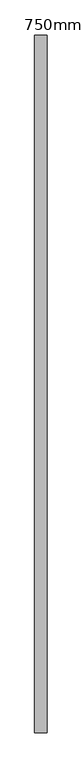
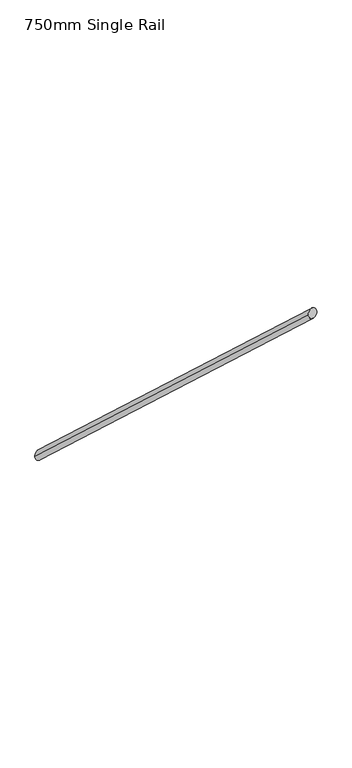
"""IFC4 building model written with IfcOpenShell, lengths in millimetres: railing geometry, 750mm Single Rail."""

from ifc_helpers import new_model, si_unit, frame, origin, place, context, project, spatial, ellipse_curve, source, transform, mapped, element, save
from ifc_brep_helpers import plane_surface, cylinder_surface, advanced_brep


def railing_750mm_single_rail_95f08b51(model_context):
    return source(origin(), model_context, "Body", "AdvancedBrep", [
        advanced_brep(
        [(-45348.7135989, 50855.4031967, 109217.9441921), (-45308.7135989, 50855.4031967, 109217.9441921), (-45348.7135989, 48595.4031967, 111303.1841932), (-45308.7135989, 48595.4031967, 111303.1841932)],
        [
            (0, 1, ellipse_curve(frame((-45328.7135989, 50855.4031967, 109217.9441921), z_axis=(0.0, 1.0, 0.0), x_axis=(0.0, 0.0, -1.0)), 27.2126784, 20.0)),
            (1, 0, ellipse_curve(frame((-45328.7135989, 50855.4031967, 109217.9441921), z_axis=(0.0, 1.0, 0.0), x_axis=(0.0, 0.0, -1.0)), 27.2126784, 20.0)),
            (2, 3, ellipse_curve(frame((-45328.7135989, 48595.4031967, 111303.1841932), z_axis=(0.0, -1.0, 0.0), x_axis=(0.0, 0.0, -1.0)), 27.2126784, 20.0)),
            (3, 2, ellipse_curve(frame((-45328.7135989, 48595.4031967, 111303.1841932), z_axis=(0.0, -1.0, 0.0), x_axis=(0.0, 0.0, -1.0)), 27.2126784, 20.0)),
            (0, 2),
            (3, 1),
        ],
        [
            plane_surface(frame((-45328.7135989, 50855.4031967, 109245.1568705), z_axis=(0.0, 1.0, 0.0), x_axis=(0.0, 0.0, -1.0))),
            plane_surface(frame((-45328.7135989, 48595.4031967, 111330.3968717), z_axis=(0.0, -1.0, 0.0), x_axis=(0.0, 0.0, -1.0))),
            cylinder_surface(frame((-45328.7135989, 50841.8408042, 109230.4578396), z_axis=(0.0, 0.7349515434831864, -0.678119627154149), x_axis=(1.0, 0.0, 0.0)), 20.0),
        ],
        [
            (0, [[1, 2]]),
            (1, [[3, 4]]),
            (2, [[-1, 5, -4, 6]]),
            (2, [[-2, -6, -3, -5]]),
        ],
    ),
    ])


if __name__ == "__main__":
    model = new_model("IFC4")
    model_context = context("Model", 3, world=origin())
    ifc_project = project(units=[si_unit("LENGTHUNIT", "METRE", prefix="MILLI")], contexts=[model_context])
    site = spatial("IfcSite", under=ifc_project)
    building = spatial("IfcBuilding", under=site)
    placement = place(None, origin())
    railing_750mm_single_rail_shape = railing_750mm_single_rail_95f08b51(model_context)
    element("IfcRailing", 1, ObjectType="750mm Single Rail", at=placement, inside=building, context=model_context, shape_type="MappedRepresentation", body=[
        mapped(railing_750mm_single_rail_shape, transform((0.0, 0.0, 0.0), x_axis=(1.0, 0.0, 0.0), y_axis=(0.0, 1.0, 0.0), z_axis=(0.0, 0.0, 1.0))),
    ])
    save(model, "model.ifc")
